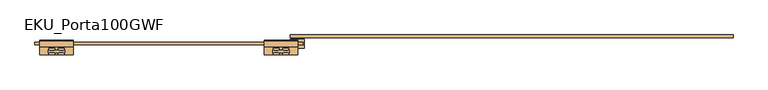
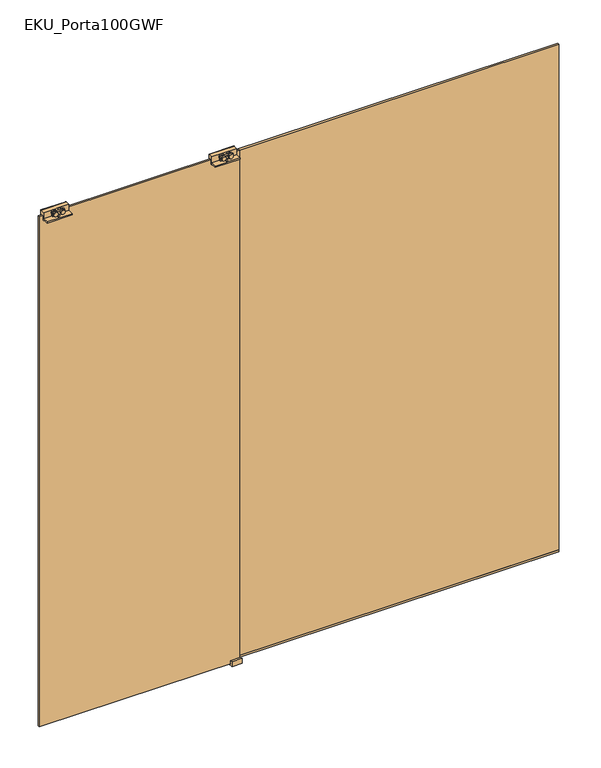
"""IFC4 building model written with IfcOpenShell, lengths in millimetres: door geometry, EKU_Porta100GWF."""

from ifc_helpers import new_model, si_unit, point, frame, frame_2d, origin, place, context, project, spatial, polyline, circle_curve, trimmed, segment, composite_curve, outline, extrude, source, transform, mapped, element, save


def eku_porta100gwf_da10eac9(model_context):
    return source(origin(), model_context, "Body", "SweptSolid", [
        extrude(outline(composite_curve([segment(trimmed(circle_curve(frame_2d((2683.9921875, -1928.1562807)), 11.0), [point((2683.9921875, -1917.1562807))], [point((2683.9921875, -1939.1562807))], False, "CARTESIAN"), True, "CONTINUOUS"), segment(trimmed(circle_curve(frame_2d((2683.9921875, -1928.1562807)), 11.0), [point((2683.9921875, -1939.1562807))], [point((2683.9921875, -1917.1562807))], False, "CARTESIAN"), True, "CONTINUOUS")], self_intersect=False)), frame((0.0, -47.8664, 0.0), z_axis=(0.0, 1.0, 0.0), x_axis=(0.0, 0.0, 1.0)), (0.0, 0.0, 1.0), 6.5829776),
        extrude(outline(composite_curve([segment(trimmed(circle_curve(frame_2d((2683.9993602, -1893.7812807)), 11.0), [point((2683.9993602, -1882.7812807))], [point((2683.9993602, -1904.7812807))], False, "CARTESIAN"), True, "CONTINUOUS"), segment(trimmed(circle_curve(frame_2d((2683.9993602, -1893.7812807)), 11.0), [point((2683.9993602, -1904.7812807))], [point((2683.9993602, -1882.7812807))], False, "CARTESIAN"), True, "CONTINUOUS")], self_intersect=False)), frame((0.0, -31.1869495, 0.0), z_axis=(0.0, 1.0, 0.0), x_axis=(0.0, 0.0, 1.0)), (0.0, 0.0, 1.0), 7.0269907),
        extrude(outline(composite_curve([segment(trimmed(circle_curve(frame_2d((2683.9921875, -1893.7812807)), 11.0), [point((2683.9921875, -1882.7812807))], [point((2683.9921875, -1904.7812807))], False, "CARTESIAN"), True, "CONTINUOUS"), segment(trimmed(circle_curve(frame_2d((2683.9921875, -1893.7812807)), 11.0), [point((2683.9921875, -1904.7812807))], [point((2683.9921875, -1882.7812807))], False, "CARTESIAN"), True, "CONTINUOUS")], self_intersect=False)), frame((0.0, -48.25, 0.0), z_axis=(0.0, 1.0, 0.0), x_axis=(0.0, 0.0, 1.0)), (0.0, 0.0, 1.0), 6.9665776),
        extrude(outline(polyline([(-1915.0, -31.1869495), (-1907.0, -31.1869495), (-1907.0, -41.2834224), (-1915.0, -41.2834224), (-1915.0, -31.1869495)])), frame((0.0, 0.0, 2661.0), z_axis=(0.0, 0.0, 1.0), x_axis=(1.0, 0.0, 0.0)), (0.0, 0.0, 1.0), 11.9515484),
        extrude(outline(polyline([(-1941.0, -41.2834224), (-1941.0, -31.1869495), (-1881.0, -31.1869495), (-1881.0, -41.2834224), (-1941.0, -41.2834224)])), frame((0.0, 0.0, 2672.9515484), z_axis=(0.0, 0.0, 1.0), x_axis=(1.0, 0.0, 0.0)), (0.0, 0.0, 1.0), 18.2705237),
        extrude(outline(composite_curve([segment(trimmed(circle_curve(frame_2d((2683.9921875, -1928.1562807)), 11.0), [point((2683.9921875, -1917.1562807))], [point((2683.9921875, -1939.1562807))], False, "CARTESIAN"), True, "CONTINUOUS"), segment(trimmed(circle_curve(frame_2d((2683.9921875, -1928.1562807)), 11.0), [point((2683.9921875, -1939.1562807))], [point((2683.9921875, -1917.1562807))], False, "CARTESIAN"), True, "CONTINUOUS")], self_intersect=False)), frame((0.0, -31.1869495, 0.0), z_axis=(0.0, 1.0, 0.0), x_axis=(0.0, 0.0, 1.0)), (0.0, 0.0, 1.0), 7.0269907),
        extrude(outline(composite_curve([segment(trimmed(circle_curve(frame_2d((2683.9921875, -1893.7812807)), 11.0), [point((2683.9921875, -1882.7812807))], [point((2683.9921875, -1904.7812807))], False, "CARTESIAN"), True, "CONTINUOUS"), segment(trimmed(circle_curve(frame_2d((2683.9921875, -1893.7812807)), 11.0), [point((2683.9921875, -1904.7812807))], [point((2683.9921875, -1882.7812807))], False, "CARTESIAN"), True, "CONTINUOUS")], self_intersect=False)), frame((0.0, -48.25, 0.0), z_axis=(0.0, 1.0, 0.0), x_axis=(0.0, 0.0, 1.0)), (0.0, 0.0, 1.0), 6.9665776),
        extrude(outline(polyline([(-19.25, 2692.0), (2.442747, 2692.0), (4.75, 2692.0), (4.75, 2678.0), (4.75, 2650.0), (-2.25, 2650.0), (-2.25, 2672.0), (-12.25, 2672.0), (-12.25, 2650.0), (-19.25, 2650.0), (-19.25, 2655.0), (-48.25, 2655.0), (-48.25, 2661.0), (-19.25, 2661.0), (-19.25, 2692.0)])), frame((-1973.0, 0.0, 0.0), z_axis=(1.0, 0.0, 0.0), x_axis=(0.0, 1.0, 0.0)), (0.0, 0.0, 1.0), 124.0),
        extrude(outline(composite_curve([segment(trimmed(circle_curve(frame_2d((2683.9921875, -2723.8437193)), 11.0), [point((2683.9921875, -2734.8437193))], [point((2683.9921875, -2712.8437193))], False, "CARTESIAN"), True, "CONTINUOUS"), segment(trimmed(circle_curve(frame_2d((2683.9921875, -2723.8437193)), 11.0), [point((2683.9921875, -2712.8437193))], [point((2683.9921875, -2734.8437193))], False, "CARTESIAN"), True, "CONTINUOUS")], self_intersect=False)), frame((0.0, -47.8664, 0.0), z_axis=(0.0, 1.0, 0.0), x_axis=(0.0, 0.0, 1.0)), (0.0, 0.0, 1.0), 6.5829776),
        extrude(outline(composite_curve([segment(trimmed(circle_curve(frame_2d((2683.9993602, -2758.2187193)), 11.0), [point((2683.9993602, -2769.2187193))], [point((2683.9993602, -2747.2187193))], False, "CARTESIAN"), True, "CONTINUOUS"), segment(trimmed(circle_curve(frame_2d((2683.9993602, -2758.2187193)), 11.0), [point((2683.9993602, -2747.2187193))], [point((2683.9993602, -2769.2187193))], False, "CARTESIAN"), True, "CONTINUOUS")], self_intersect=False)), frame((0.0, -31.1869495, 0.0), z_axis=(0.0, 1.0, 0.0), x_axis=(0.0, 0.0, 1.0)), (0.0, 0.0, 1.0), 7.0269907),
        extrude(outline(composite_curve([segment(trimmed(circle_curve(frame_2d((2683.9921875, -2758.2187193)), 11.0), [point((2683.9921875, -2769.2187193))], [point((2683.9921875, -2747.2187193))], False, "CARTESIAN"), True, "CONTINUOUS"), segment(trimmed(circle_curve(frame_2d((2683.9921875, -2758.2187193)), 11.0), [point((2683.9921875, -2747.2187193))], [point((2683.9921875, -2769.2187193))], False, "CARTESIAN"), True, "CONTINUOUS")], self_intersect=False)), frame((0.0, -48.25, 0.0), z_axis=(0.0, 1.0, 0.0), x_axis=(0.0, 0.0, 1.0)), (0.0, 0.0, 1.0), 6.9665776),
        extrude(outline(polyline([(-2737.0, -31.1869495), (-2737.0, -41.2834224), (-2745.0, -41.2834224), (-2745.0, -31.1869495), (-2737.0, -31.1869495)])), frame((0.0, 0.0, 2661.0), z_axis=(0.0, 0.0, 1.0), x_axis=(1.0, 0.0, 0.0)), (0.0, 0.0, 1.0), 11.9515484),
        extrude(outline(polyline([(-2711.0, -41.2834224), (-2771.0, -41.2834224), (-2771.0, -31.1869495), (-2711.0, -31.1869495), (-2711.0, -41.2834224)])), frame((0.0, 0.0, 2672.9515484), z_axis=(0.0, 0.0, 1.0), x_axis=(1.0, 0.0, 0.0)), (0.0, 0.0, 1.0), 18.2705237),
        extrude(outline(composite_curve([segment(trimmed(circle_curve(frame_2d((2683.9921875, -2723.8437193)), 11.0), [point((2683.9921875, -2734.8437193))], [point((2683.9921875, -2712.8437193))], False, "CARTESIAN"), True, "CONTINUOUS"), segment(trimmed(circle_curve(frame_2d((2683.9921875, -2723.8437193)), 11.0), [point((2683.9921875, -2712.8437193))], [point((2683.9921875, -2734.8437193))], False, "CARTESIAN"), True, "CONTINUOUS")], self_intersect=False)), frame((0.0, -31.1869495, 0.0), z_axis=(0.0, 1.0, 0.0), x_axis=(0.0, 0.0, 1.0)), (0.0, 0.0, 1.0), 7.0269907),
        extrude(outline(composite_curve([segment(trimmed(circle_curve(frame_2d((2683.9921875, -2758.2187193)), 11.0), [point((2683.9921875, -2769.2187193))], [point((2683.9921875, -2747.2187193))], False, "CARTESIAN"), True, "CONTINUOUS"), segment(trimmed(circle_curve(frame_2d((2683.9921875, -2758.2187193)), 11.0), [point((2683.9921875, -2747.2187193))], [point((2683.9921875, -2769.2187193))], False, "CARTESIAN"), True, "CONTINUOUS")], self_intersect=False)), frame((0.0, -48.25, 0.0), z_axis=(0.0, 1.0, 0.0), x_axis=(0.0, 0.0, 1.0)), (0.0, 0.0, 1.0), 6.9665776),
        extrude(outline(polyline([(-19.25, 2692.0), (2.442747, 2692.0), (4.75, 2692.0), (4.75, 2678.0), (4.75, 2650.0), (-2.25, 2650.0), (-2.25, 2672.0), (-12.25, 2672.0), (-12.25, 2650.0), (-19.25, 2650.0), (-19.25, 2655.0), (-48.25, 2655.0), (-48.25, 2661.0), (-19.25, 2661.0), (-19.25, 2692.0)])), frame((-2803.0, 0.0, 0.0), z_axis=(1.0, 0.0, 0.0), x_axis=(0.0, 1.0, 0.0)), (0.0, 0.0, 1.0), 124.0),
        extrude(outline(polyline([(-239.0, 24.84375), (-239.0, 14.84375), (-1876.0, 14.84375), (-1876.0, 24.84375), (-239.0, 24.84375)])), frame((0.0, 0.0, 15.0), z_axis=(0.0, 0.0, 1.0), x_axis=(1.0, 0.0, 0.0)), (0.0, 0.0, 1.0), 2637.0),
        extrude(outline(polyline([(-2821.0, -12.25), (-2821.0, -2.25), (-1831.0, -2.25), (-1831.0, -12.25), (-2821.0, -12.25)])), frame((0.0, 0.0, 10.0), z_axis=(0.0, 0.0, 1.0), x_axis=(1.0, 0.0, 0.0)), (0.0, 0.0, 1.0), 2662.0),
        extrude(outline(polyline([(9.25, 26.0), (9.25, 0.0), (-23.3162943, 0.0), (-23.3162943, 26.0), (-12.25, 26.0), (-12.25, 10.0), (-2.25, 10.0), (-2.25, 26.0), (9.25, 26.0)])), frame((-1876.0, 0.0, 0.0), z_axis=(1.0, 0.0, 0.0), x_axis=(0.0, 1.0, 0.0)), (0.0, 0.0, 1.0), 50.4100933),
        extrude(outline(polyline([(-239.0, 24.84375), (-239.0, 14.84375), (-1876.0, 14.84375), (-1876.0, 24.84375), (-239.0, 24.84375)])), frame((0.0, 0.0, 5.0), z_axis=(0.0, 0.0, 1.0), x_axis=(1.0, 0.0, 0.0)), (0.0, 0.0, 1.0), 10.0),
    ])


if __name__ == "__main__":
    model = new_model("IFC4")
    model_context = context("Model", 3, world=origin())
    ifc_project = project(units=[si_unit("LENGTHUNIT", "METRE", prefix="MILLI")], contexts=[model_context])
    site = spatial("IfcSite", under=ifc_project)
    building = spatial("IfcBuilding", under=site)
    placement = place(None, origin())
    eku_porta100gwf_shape = eku_porta100gwf_da10eac9(model_context)
    element("IfcDoor", 1, ObjectType="EKU_Porta100GWF", at=placement, inside=building, context=model_context, shape_type="MappedRepresentation", body=[
        mapped(eku_porta100gwf_shape, transform((0.0, 0.0, 0.0), x_axis=(1.0, 0.0, 0.0), y_axis=(0.0, 1.0, 0.0), z_axis=(0.0, 0.0, 1.0))),
    ])
    save(model, "model.ifc")
